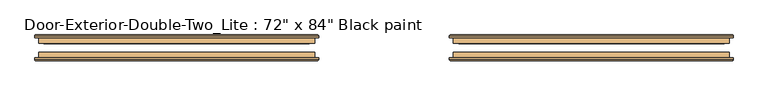
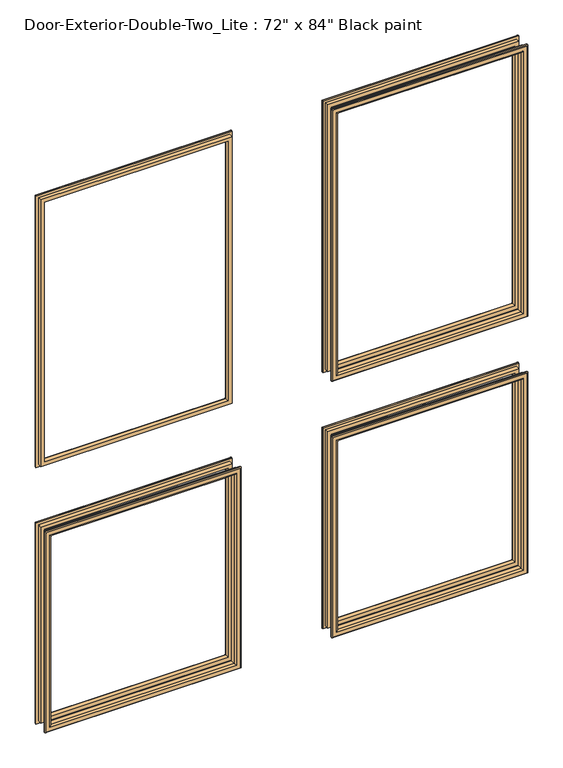
"""IFC4 building model written with IfcOpenShell, lengths in millimetres: door geometry."""

from ifc_helpers import new_model, si_unit, frame, origin, place, context, project, spatial, ellipse_curve, source, transform, mapped, element, save
from ifc_brep_helpers import plane_surface, cylinder_surface, advanced_brep


def door_81d10604(model_context):
    return source(origin(), model_context, "Body", "AdvancedBrep", [
        advanced_brep(
        [(-762.0, 65.0875, 914.4), (-762.0, 77.7875, 914.4), (-762.0, 77.7875, 254.0), (-762.0, 65.0875, 254.0), (-750.0, 78.7875, 902.4), (-750.0, 65.0875, 902.4), (-750.0, 65.0875, 266.0), (-750.0, 78.7875, 266.0), (-755.0, 83.7875, 907.4), (-755.0, 83.7875, 261.0), (-770.0, 81.7875, 922.4), (-768.0, 83.7875, 920.4), (-768.0, 83.7875, 248.0), (-770.0, 81.7875, 246.0), (-770.0, 77.7875, 922.4), (-770.0, 77.7875, 246.0), (-152.4, 77.7875, 254.0), (-152.4, 65.0875, 254.0), (-164.4, 65.0875, 266.0), (-164.4, 78.7875, 266.0), (-159.4, 83.7875, 261.0), (-146.4, 83.7875, 248.0), (-144.4, 81.7875, 246.0), (-144.4, 77.7875, 246.0), (-152.4, 77.7875, 914.4), (-152.4, 65.0875, 914.4), (-164.4, 65.0875, 902.4), (-164.4, 78.7875, 902.4), (-159.4, 83.7875, 907.4), (-146.4, 83.7875, 920.4), (-144.4, 81.7875, 922.4), (-144.4, 77.7875, 922.4)],
        [
            (0, 1),
            (1, 2),
            (2, 3),
            (3, 0),
            (4, 5),
            (5, 6),
            (6, 7),
            (7, 4),
            (8, 4, ellipse_curve(frame((-755.0, 78.7875, 907.4), z_axis=(-0.7071067811865475, 0.0, -0.7071067811865475), x_axis=(-0.7071067811865474, 0.0, 0.7071067811865476)), 7.0710678, 5.0)),
            (7, 9, ellipse_curve(frame((-755.0, 78.7875, 261.0), z_axis=(-0.7071067811865475, 0.0, 0.7071067811865475), x_axis=(0.7071067811865474, 0.0, 0.7071067811865476)), 7.0710678, 5.0)),
            (9, 8),
            (10, 11, ellipse_curve(frame((-768.0, 81.7875, 920.4), z_axis=(-0.7071067811865475, 0.0, -0.7071067811865475), x_axis=(-0.7071067811865474, 0.0, 0.7071067811865476)), 2.8284271, 2.0)),
            (11, 12),
            (12, 13, ellipse_curve(frame((-768.0, 81.7875, 248.0), z_axis=(-0.7071067811865475, 0.0, 0.7071067811865475), x_axis=(0.7071067811865474, 0.0, 0.7071067811865476)), 2.8284271, 2.0)),
            (13, 10),
            (14, 10),
            (13, 15),
            (15, 14),
            (2, 16),
            (16, 17),
            (17, 3),
            (6, 18),
            (18, 19),
            (19, 7),
            (19, 20, ellipse_curve(frame((-159.4, 78.7875, 261.0), z_axis=(-0.7071067811865475, 0.0, -0.7071067811865475), x_axis=(-0.7071067811865476, 0.0, 0.7071067811865474)), 7.0710678, 5.0)),
            (20, 9),
            (12, 21),
            (21, 22, ellipse_curve(frame((-146.4, 81.7875, 248.0), z_axis=(-0.7071067811865475, 0.0, -0.7071067811865475), x_axis=(-0.7071067811865476, 0.0, 0.7071067811865474)), 2.8284271, 2.0)),
            (22, 13),
            (22, 23),
            (23, 15),
            (16, 24),
            (24, 25),
            (25, 17),
            (18, 26),
            (26, 27),
            (27, 19),
            (27, 28, ellipse_curve(frame((-159.4, 78.7875, 907.4), z_axis=(0.7071067811865475, 0.0, -0.7071067811865475), x_axis=(-0.7071067811865474, 0.0, -0.7071067811865476)), 7.0710678, 5.0)),
            (28, 20),
            (21, 29),
            (29, 30, ellipse_curve(frame((-146.4, 81.7875, 920.4), z_axis=(0.7071067811865475, 0.0, -0.7071067811865475), x_axis=(-0.7071067811865474, 0.0, -0.7071067811865476)), 2.8284271, 2.0)),
            (30, 22),
            (30, 31),
            (31, 23),
            (31, 14),
            (1, 24),
            (0, 25),
            (5, 26),
            (4, 27),
            (8, 28),
            (11, 29),
            (10, 30),
        ],
        [
            plane_surface(frame((-762.0, 77.7875, 914.4), z_axis=(-1.0, 0.0, 0.0), x_axis=(0.0, 0.0, -1.0))),
            plane_surface(frame((-750.0, 65.0875, 902.4), z_axis=(1.0, 0.0, 0.0), x_axis=(0.0, 0.0, -1.0))),
            cylinder_surface(frame((-755.0, 78.7875, 914.4), z_axis=(0.0, 0.0, 1.0), x_axis=(-1.0, 0.0, 0.0)), 5.0),
            cylinder_surface(frame((-768.0, 81.7875, 914.4), z_axis=(0.0, 0.0, 1.0), x_axis=(-1.0, 0.0, 0.0)), 2.0),
            plane_surface(frame((-770.0, 81.7875, 922.4), z_axis=(-1.0, 0.0, 0.0), x_axis=(0.0, 0.0, -1.0))),
            plane_surface(frame((-762.0, 77.7875, 254.0), z_axis=(0.0, 0.0, -1.0), x_axis=(1.0, 0.0, 0.0))),
            plane_surface(frame((-750.0, 65.0875, 266.0), z_axis=(0.0, 0.0, 1.0), x_axis=(1.0, 0.0, 0.0))),
            cylinder_surface(frame((-762.0, 78.7875, 261.0), z_axis=(-1.0, 0.0, 0.0), x_axis=(0.0, 0.0, -1.0)), 5.0),
            cylinder_surface(frame((-762.0, 81.7875, 248.0), z_axis=(-1.0, 0.0, 0.0), x_axis=(0.0, 0.0, -1.0)), 2.0),
            plane_surface(frame((-770.0, 81.7875, 246.0), z_axis=(0.0, 0.0, -1.0), x_axis=(1.0, 0.0, 0.0))),
            plane_surface(frame((-152.4, 77.7875, 254.0), z_axis=(1.0, 0.0, 0.0), x_axis=(0.0, 0.0, 1.0))),
            plane_surface(frame((-164.4, 65.0875, 266.0), z_axis=(-1.0, 0.0, 0.0), x_axis=(0.0, 0.0, 1.0))),
            cylinder_surface(frame((-159.4, 78.7875, 254.0), z_axis=(0.0, 0.0, -1.0), x_axis=(1.0, 0.0, 0.0)), 5.0),
            cylinder_surface(frame((-146.4, 81.7875, 254.0), z_axis=(0.0, 0.0, -1.0), x_axis=(1.0, 0.0, 0.0)), 2.0),
            plane_surface(frame((-144.4, 81.7875, 246.0), z_axis=(1.0, 0.0, 0.0), x_axis=(0.0, 0.0, 1.0))),
            plane_surface(frame((-144.4, 77.7875, 922.4), z_axis=(0.0, -1.0, 0.0), x_axis=(-1.0, 0.0, 0.0))),
            plane_surface(frame((-152.4, 77.7875, 914.4), z_axis=(0.0, 0.0, 1.0), x_axis=(-1.0, 0.0, 0.0))),
            plane_surface(frame((-152.4, 65.0875, 914.4), z_axis=(0.0, -1.0, 0.0), x_axis=(-1.0, 0.0, 0.0))),
            plane_surface(frame((-164.4, 65.0875, 902.4), z_axis=(0.0, 0.0, -1.0), x_axis=(-1.0, 0.0, 0.0))),
            cylinder_surface(frame((-152.4, 78.7875, 907.4), z_axis=(1.0, 0.0, 0.0), x_axis=(0.0, 0.0, 1.0)), 5.0),
            plane_surface(frame((-159.4, 83.7875, 907.4), z_axis=(0.0, 1.0, 0.0), x_axis=(-1.0, 0.0, 0.0))),
            cylinder_surface(frame((-152.4, 81.7875, 920.4), z_axis=(1.0, 0.0, 0.0), x_axis=(0.0, 0.0, 1.0)), 2.0),
            plane_surface(frame((-144.4, 81.7875, 922.4), z_axis=(0.0, 0.0, 1.0), x_axis=(-1.0, 0.0, 0.0))),
        ],
        [
            (0, [[1, 2, 3, 4]]),
            (1, [[5, 6, 7, 8]]),
            (2, [[9, -8, 10, 11]]),
            (3, [[12, 13, 14, 15]]),
            (4, [[16, -15, 17, 18]]),
            (5, [[-3, 19, 20, 21]]),
            (6, [[-7, 22, 23, 24]]),
            (7, [[-10, -24, 25, 26]]),
            (8, [[-14, 27, 28, 29]]),
            (9, [[-17, -29, 30, 31]]),
            (10, [[-20, 32, 33, 34]]),
            (11, [[-23, 35, 36, 37]]),
            (12, [[-25, -37, 38, 39]]),
            (13, [[-28, 40, 41, 42]]),
            (14, [[-30, -42, 43, 44]]),
            (15, [[-31, -44, 45, -18], [46, -32, -19, -2]]),
            (16, [[-33, -46, -1, 47]]),
            (17, [[-21, -34, -47, -4], [48, -35, -22, -6]]),
            (18, [[-36, -48, -5, 49]]),
            (19, [[-38, -49, -9, 50]]),
            (20, [[51, -40, -27, -13], [-26, -39, -50, -11]]),
            (21, [[-41, -51, -12, 52]]),
            (22, [[-43, -52, -16, -45]]),
        ],
    ),
        advanced_brep(
        [(152.4, 65.0875, 914.4), (152.4, 77.7875, 914.4), (152.4, 77.7875, 254.0), (152.4, 65.0875, 254.0), (164.4, 78.7875, 902.4), (164.4, 65.0875, 902.4), (164.4, 65.0875, 266.0), (164.4, 78.7875, 266.0), (159.4, 83.7875, 907.4), (159.4, 83.7875, 261.0), (144.4, 81.7875, 922.4), (146.4, 83.7875, 920.4), (146.4, 83.7875, 248.0), (144.4, 81.7875, 246.0), (144.4, 77.7875, 922.4), (144.4, 77.7875, 246.0), (762.0, 77.7875, 254.0), (762.0, 65.0875, 254.0), (750.0, 65.0875, 266.0), (750.0, 78.7875, 266.0), (755.0, 83.7875, 261.0), (768.0, 83.7875, 248.0), (770.0, 81.7875, 246.0), (770.0, 77.7875, 246.0), (762.0, 77.7875, 914.4), (762.0, 65.0875, 914.4), (750.0, 65.0875, 902.4), (750.0, 78.7875, 902.4), (755.0, 83.7875, 907.4), (768.0, 83.7875, 920.4), (770.0, 81.7875, 922.4), (770.0, 77.7875, 922.4)],
        [
            (0, 1),
            (1, 2),
            (2, 3),
            (3, 0),
            (4, 5),
            (5, 6),
            (6, 7),
            (7, 4),
            (8, 4, ellipse_curve(frame((159.4, 78.7875, 907.4), z_axis=(-0.7071067811865475, 0.0, -0.7071067811865475), x_axis=(-0.7071067811865474, 0.0, 0.7071067811865476)), 7.0710678, 5.0)),
            (7, 9, ellipse_curve(frame((159.4, 78.7875, 261.0), z_axis=(-0.7071067811865475, 0.0, 0.7071067811865475), x_axis=(0.7071067811865474, 0.0, 0.7071067811865476)), 7.0710678, 5.0)),
            (9, 8),
            (10, 11, ellipse_curve(frame((146.4, 81.7875, 920.4), z_axis=(-0.7071067811865475, 0.0, -0.7071067811865475), x_axis=(-0.7071067811865474, 0.0, 0.7071067811865476)), 2.8284271, 2.0)),
            (11, 12),
            (12, 13, ellipse_curve(frame((146.4, 81.7875, 248.0), z_axis=(-0.7071067811865475, 0.0, 0.7071067811865475), x_axis=(0.7071067811865474, 0.0, 0.7071067811865476)), 2.8284271, 2.0)),
            (13, 10),
            (14, 10),
            (13, 15),
            (15, 14),
            (2, 16),
            (16, 17),
            (17, 3),
            (6, 18),
            (18, 19),
            (19, 7),
            (19, 20, ellipse_curve(frame((755.0, 78.7875, 261.0), z_axis=(-0.7071067811865475, 0.0, -0.7071067811865475), x_axis=(-0.7071067811865476, 0.0, 0.7071067811865474)), 7.0710678, 5.0)),
            (20, 9),
            (12, 21),
            (21, 22, ellipse_curve(frame((768.0, 81.7875, 248.0), z_axis=(-0.7071067811865475, 0.0, -0.7071067811865475), x_axis=(-0.7071067811865476, 0.0, 0.7071067811865474)), 2.8284271, 2.0)),
            (22, 13),
            (22, 23),
            (23, 15),
            (16, 24),
            (24, 25),
            (25, 17),
            (18, 26),
            (26, 27),
            (27, 19),
            (27, 28, ellipse_curve(frame((755.0, 78.7875, 907.4), z_axis=(0.7071067811865475, 0.0, -0.7071067811865475), x_axis=(-0.7071067811865474, 0.0, -0.7071067811865476)), 7.0710678, 5.0)),
            (28, 20),
            (21, 29),
            (29, 30, ellipse_curve(frame((768.0, 81.7875, 920.4), z_axis=(0.7071067811865475, 0.0, -0.7071067811865475), x_axis=(-0.7071067811865474, 0.0, -0.7071067811865476)), 2.8284271, 2.0)),
            (30, 22),
            (30, 31),
            (31, 23),
            (31, 14),
            (1, 24),
            (0, 25),
            (5, 26),
            (4, 27),
            (8, 28),
            (11, 29),
            (10, 30),
        ],
        [
            plane_surface(frame((152.4, 77.7875, 914.4), z_axis=(-1.0, 0.0, 0.0), x_axis=(0.0, 0.0, -1.0))),
            plane_surface(frame((164.4, 65.0875, 902.4), z_axis=(1.0, 0.0, 0.0), x_axis=(0.0, 0.0, -1.0))),
            cylinder_surface(frame((159.4, 78.7875, 914.4), z_axis=(0.0, 0.0, 1.0), x_axis=(-1.0, 0.0, 0.0)), 5.0),
            cylinder_surface(frame((146.4, 81.7875, 914.4), z_axis=(0.0, 0.0, 1.0), x_axis=(-1.0, 0.0, 0.0)), 2.0),
            plane_surface(frame((144.4, 81.7875, 922.4), z_axis=(-1.0, 0.0, 0.0), x_axis=(0.0, 0.0, -1.0))),
            plane_surface(frame((152.4, 77.7875, 254.0), z_axis=(0.0, 0.0, -1.0), x_axis=(1.0, 0.0, 0.0))),
            plane_surface(frame((164.4, 65.0875, 266.0), z_axis=(0.0, 0.0, 1.0), x_axis=(1.0, 0.0, 0.0))),
            cylinder_surface(frame((152.4, 78.7875, 261.0), z_axis=(-1.0, 0.0, 0.0), x_axis=(0.0, 0.0, -1.0)), 5.0),
            cylinder_surface(frame((152.4, 81.7875, 248.0), z_axis=(-1.0, 0.0, 0.0), x_axis=(0.0, 0.0, -1.0)), 2.0),
            plane_surface(frame((144.4, 81.7875, 246.0), z_axis=(0.0, 0.0, -1.0), x_axis=(1.0, 0.0, 0.0))),
            plane_surface(frame((762.0, 77.7875, 254.0), z_axis=(1.0, 0.0, 0.0), x_axis=(0.0, 0.0, 1.0))),
            plane_surface(frame((750.0, 65.0875, 266.0), z_axis=(-1.0, 0.0, 0.0), x_axis=(0.0, 0.0, 1.0))),
            cylinder_surface(frame((755.0, 78.7875, 254.0), z_axis=(0.0, 0.0, -1.0), x_axis=(1.0, 0.0, 0.0)), 5.0),
            cylinder_surface(frame((768.0, 81.7875, 254.0), z_axis=(0.0, 0.0, -1.0), x_axis=(1.0, 0.0, 0.0)), 2.0),
            plane_surface(frame((770.0, 81.7875, 246.0), z_axis=(1.0, 0.0, 0.0), x_axis=(0.0, 0.0, 1.0))),
            plane_surface(frame((770.0, 77.7875, 922.4), z_axis=(0.0, -1.0, 0.0), x_axis=(-1.0, 0.0, 0.0))),
            plane_surface(frame((762.0, 77.7875, 914.4), z_axis=(0.0, 0.0, 1.0), x_axis=(-1.0, 0.0, 0.0))),
            plane_surface(frame((762.0, 65.0875, 914.4), z_axis=(0.0, -1.0, 0.0), x_axis=(-1.0, 0.0, 0.0))),
            plane_surface(frame((750.0, 65.0875, 902.4), z_axis=(0.0, 0.0, -1.0), x_axis=(-1.0, 0.0, 0.0))),
            cylinder_surface(frame((762.0, 78.7875, 907.4), z_axis=(1.0, 0.0, 0.0), x_axis=(0.0, 0.0, 1.0)), 5.0),
            plane_surface(frame((755.0, 83.7875, 907.4), z_axis=(0.0, 1.0, 0.0), x_axis=(-1.0, 0.0, 0.0))),
            cylinder_surface(frame((762.0, 81.7875, 920.4), z_axis=(1.0, 0.0, 0.0), x_axis=(0.0, 0.0, 1.0)), 2.0),
            plane_surface(frame((770.0, 81.7875, 922.4), z_axis=(0.0, 0.0, 1.0), x_axis=(-1.0, 0.0, 0.0))),
        ],
        [
            (0, [[1, 2, 3, 4]]),
            (1, [[5, 6, 7, 8]]),
            (2, [[9, -8, 10, 11]]),
            (3, [[12, 13, 14, 15]]),
            (4, [[16, -15, 17, 18]]),
            (5, [[-3, 19, 20, 21]]),
            (6, [[-7, 22, 23, 24]]),
            (7, [[-10, -24, 25, 26]]),
            (8, [[-14, 27, 28, 29]]),
            (9, [[-17, -29, 30, 31]]),
            (10, [[-20, 32, 33, 34]]),
            (11, [[-23, 35, 36, 37]]),
            (12, [[-25, -37, 38, 39]]),
            (13, [[-28, 40, 41, 42]]),
            (14, [[-30, -42, 43, 44]]),
            (15, [[-31, -44, 45, -18], [46, -32, -19, -2]]),
            (16, [[-33, -46, -1, 47]]),
            (17, [[-21, -34, -47, -4], [48, -35, -22, -6]]),
            (18, [[-36, -48, -5, 49]]),
            (19, [[-38, -49, -9, 50]]),
            (20, [[51, -40, -27, -13], [-26, -39, -50, -11]]),
            (21, [[-41, -51, -12, 52]]),
            (22, [[-43, -52, -16, -45]]),
        ],
    ),
        advanced_brep(
        [(152.4, 65.0875, 2016.125), (152.4, 77.7875, 2016.125), (152.4, 77.7875, 1117.6), (152.4, 65.0875, 1117.6), (164.4, 78.7875, 2004.125), (164.4, 65.0875, 2004.125), (164.4, 65.0875, 1129.6), (164.4, 78.7875, 1129.6), (159.4, 83.7875, 2009.125), (159.4, 83.7875, 1124.6), (144.4, 81.7875, 2024.125), (146.4, 83.7875, 2022.125), (146.4, 83.7875, 1111.6), (144.4, 81.7875, 1109.6), (144.4, 77.7875, 2024.125), (144.4, 77.7875, 1109.6), (762.0, 77.7875, 1117.6), (762.0, 65.0875, 1117.6), (750.0, 65.0875, 1129.6), (750.0, 78.7875, 1129.6), (755.0, 83.7875, 1124.6), (768.0, 83.7875, 1111.6), (770.0, 81.7875, 1109.6), (770.0, 77.7875, 1109.6), (762.0, 77.7875, 2016.125), (762.0, 65.0875, 2016.125), (750.0, 65.0875, 2004.125), (750.0, 78.7875, 2004.125), (755.0, 83.7875, 2009.125), (768.0, 83.7875, 2022.125), (770.0, 81.7875, 2024.125), (770.0, 77.7875, 2024.125)],
        [
            (0, 1),
            (1, 2),
            (2, 3),
            (3, 0),
            (4, 5),
            (5, 6),
            (6, 7),
            (7, 4),
            (8, 4, ellipse_curve(frame((159.4, 78.7875, 2009.125), z_axis=(-0.7071067811865475, 0.0, -0.7071067811865475), x_axis=(-0.7071067811865474, 0.0, 0.7071067811865476)), 7.0710678, 5.0)),
            (7, 9, ellipse_curve(frame((159.4, 78.7875, 1124.6), z_axis=(-0.7071067811865475, 0.0, 0.7071067811865475), x_axis=(0.7071067811865474, 0.0, 0.7071067811865476)), 7.0710678, 5.0)),
            (9, 8),
            (10, 11, ellipse_curve(frame((146.4, 81.7875, 2022.125), z_axis=(-0.7071067811865475, 0.0, -0.7071067811865475), x_axis=(-0.7071067811865474, 0.0, 0.7071067811865476)), 2.8284271, 2.0)),
            (11, 12),
            (12, 13, ellipse_curve(frame((146.4, 81.7875, 1111.6), z_axis=(-0.7071067811865475, 0.0, 0.7071067811865475), x_axis=(0.7071067811865474, 0.0, 0.7071067811865476)), 2.8284271, 2.0)),
            (13, 10),
            (14, 10),
            (13, 15),
            (15, 14),
            (2, 16),
            (16, 17),
            (17, 3),
            (6, 18),
            (18, 19),
            (19, 7),
            (19, 20, ellipse_curve(frame((755.0, 78.7875, 1124.6), z_axis=(-0.7071067811865475, 0.0, -0.7071067811865475), x_axis=(-0.7071067811865476, 0.0, 0.7071067811865474)), 7.0710678, 5.0)),
            (20, 9),
            (12, 21),
            (21, 22, ellipse_curve(frame((768.0, 81.7875, 1111.6), z_axis=(-0.7071067811865475, 0.0, -0.7071067811865475), x_axis=(-0.7071067811865476, 0.0, 0.7071067811865474)), 2.8284271, 2.0)),
            (22, 13),
            (22, 23),
            (23, 15),
            (16, 24),
            (24, 25),
            (25, 17),
            (18, 26),
            (26, 27),
            (27, 19),
            (27, 28, ellipse_curve(frame((755.0, 78.7875, 2009.125), z_axis=(0.7071067811865475, 0.0, -0.7071067811865475), x_axis=(-0.7071067811865474, 0.0, -0.7071067811865476)), 7.0710678, 5.0)),
            (28, 20),
            (21, 29),
            (29, 30, ellipse_curve(frame((768.0, 81.7875, 2022.125), z_axis=(0.7071067811865475, 0.0, -0.7071067811865475), x_axis=(-0.7071067811865474, 0.0, -0.7071067811865476)), 2.8284271, 2.0)),
            (30, 22),
            (30, 31),
            (31, 23),
            (31, 14),
            (1, 24),
            (0, 25),
            (5, 26),
            (4, 27),
            (8, 28),
            (11, 29),
            (10, 30),
        ],
        [
            plane_surface(frame((152.4, 77.7875, 2016.125), z_axis=(-1.0, 0.0, 0.0), x_axis=(0.0, 0.0, -1.0))),
            plane_surface(frame((164.4, 65.0875, 2004.125), z_axis=(1.0, 0.0, 0.0), x_axis=(0.0, 0.0, -1.0))),
            cylinder_surface(frame((159.4, 78.7875, 2016.125), z_axis=(0.0, 0.0, 1.0), x_axis=(-1.0, 0.0, 0.0)), 5.0),
            cylinder_surface(frame((146.4, 81.7875, 2016.125), z_axis=(0.0, 0.0, 1.0), x_axis=(-1.0, 0.0, 0.0)), 2.0),
            plane_surface(frame((144.4, 81.7875, 2024.125), z_axis=(-1.0, 0.0, 0.0), x_axis=(0.0, 0.0, -1.0))),
            plane_surface(frame((152.4, 77.7875, 1117.6), z_axis=(0.0, 0.0, -1.0), x_axis=(1.0, 0.0, 0.0))),
            plane_surface(frame((164.4, 65.0875, 1129.6), z_axis=(0.0, 0.0, 1.0), x_axis=(1.0, 0.0, 0.0))),
            cylinder_surface(frame((152.4, 78.7875, 1124.6), z_axis=(-1.0, 0.0, 0.0), x_axis=(0.0, 0.0, -1.0)), 5.0),
            cylinder_surface(frame((152.4, 81.7875, 1111.6), z_axis=(-1.0, 0.0, 0.0), x_axis=(0.0, 0.0, -1.0)), 2.0),
            plane_surface(frame((144.4, 81.7875, 1109.6), z_axis=(0.0, 0.0, -1.0), x_axis=(1.0, 0.0, 0.0))),
            plane_surface(frame((762.0, 77.7875, 1117.6), z_axis=(1.0, 0.0, 0.0), x_axis=(0.0, 0.0, 1.0))),
            plane_surface(frame((750.0, 65.0875, 1129.6), z_axis=(-1.0, 0.0, 0.0), x_axis=(0.0, 0.0, 1.0))),
            cylinder_surface(frame((755.0, 78.7875, 1117.6), z_axis=(0.0, 0.0, -1.0), x_axis=(1.0, 0.0, 0.0)), 5.0),
            cylinder_surface(frame((768.0, 81.7875, 1117.6), z_axis=(0.0, 0.0, -1.0), x_axis=(1.0, 0.0, 0.0)), 2.0),
            plane_surface(frame((770.0, 81.7875, 1109.6), z_axis=(1.0, 0.0, 0.0), x_axis=(0.0, 0.0, 1.0))),
            plane_surface(frame((770.0, 77.7875, 2024.125), z_axis=(0.0, -1.0, 0.0), x_axis=(-1.0, 0.0, 0.0))),
            plane_surface(frame((762.0, 77.7875, 2016.125), z_axis=(0.0, 0.0, 1.0), x_axis=(-1.0, 0.0, 0.0))),
            plane_surface(frame((762.0, 65.0875, 2016.125), z_axis=(0.0, -1.0, 0.0), x_axis=(-1.0, 0.0, 0.0))),
            plane_surface(frame((750.0, 65.0875, 2004.125), z_axis=(0.0, 0.0, -1.0), x_axis=(-1.0, 0.0, 0.0))),
            cylinder_surface(frame((762.0, 78.7875, 2009.125), z_axis=(1.0, 0.0, 0.0), x_axis=(0.0, 0.0, 1.0)), 5.0),
            plane_surface(frame((755.0, 83.7875, 2009.125), z_axis=(0.0, 1.0, 0.0), x_axis=(-1.0, 0.0, 0.0))),
            cylinder_surface(frame((762.0, 81.7875, 2022.125), z_axis=(1.0, 0.0, 0.0), x_axis=(0.0, 0.0, 1.0)), 2.0),
            plane_surface(frame((770.0, 81.7875, 2024.125), z_axis=(0.0, 0.0, 1.0), x_axis=(-1.0, 0.0, 0.0))),
        ],
        [
            (0, [[1, 2, 3, 4]]),
            (1, [[5, 6, 7, 8]]),
            (2, [[9, -8, 10, 11]]),
            (3, [[12, 13, 14, 15]]),
            (4, [[16, -15, 17, 18]]),
            (5, [[-3, 19, 20, 21]]),
            (6, [[-7, 22, 23, 24]]),
            (7, [[-10, -24, 25, 26]]),
            (8, [[-14, 27, 28, 29]]),
            (9, [[-17, -29, 30, 31]]),
            (10, [[-20, 32, 33, 34]]),
            (11, [[-23, 35, 36, 37]]),
            (12, [[-25, -37, 38, 39]]),
            (13, [[-28, 40, 41, 42]]),
            (14, [[-30, -42, 43, 44]]),
            (15, [[-31, -44, 45, -18], [46, -32, -19, -2]]),
            (16, [[-33, -46, -1, 47]]),
            (17, [[-21, -34, -47, -4], [48, -35, -22, -6]]),
            (18, [[-36, -48, -5, 49]]),
            (19, [[-38, -49, -9, 50]]),
            (20, [[51, -40, -27, -13], [-26, -39, -50, -11]]),
            (21, [[-41, -51, -12, 52]]),
            (22, [[-43, -52, -16, -45]]),
        ],
    ),
        advanced_brep(
        [(-762.0, 65.0875, 2016.125), (-762.0, 77.7875, 2016.125), (-762.0, 77.7875, 1117.6), (-762.0, 65.0875, 1117.6), (-750.0, 78.7875, 2004.125), (-750.0, 65.0875, 2004.125), (-750.0, 65.0875, 1129.6), (-750.0, 78.7875, 1129.6), (-755.0, 83.7875, 2009.125), (-755.0, 83.7875, 1124.6), (-770.0, 81.7875, 2024.125), (-768.0, 83.7875, 2022.125), (-768.0, 83.7875, 1111.6), (-770.0, 81.7875, 1109.6), (-770.0, 77.7875, 2024.125), (-770.0, 77.7875, 1109.6), (-152.4, 77.7875, 1117.6), (-152.4, 65.0875, 1117.6), (-164.4, 65.0875, 1129.6), (-164.4, 78.7875, 1129.6), (-159.4, 83.7875, 1124.6), (-146.4, 83.7875, 1111.6), (-144.4, 81.7875, 1109.6), (-144.4, 77.7875, 1109.6), (-152.4, 77.7875, 2016.125), (-152.4, 65.0875, 2016.125), (-164.4, 65.0875, 2004.125), (-164.4, 78.7875, 2004.125), (-159.4, 83.7875, 2009.125), (-146.4, 83.7875, 2022.125), (-144.4, 81.7875, 2024.125), (-144.4, 77.7875, 2024.125)],
        [
            (0, 1),
            (1, 2),
            (2, 3),
            (3, 0),
            (4, 5),
            (5, 6),
            (6, 7),
            (7, 4),
            (8, 4, ellipse_curve(frame((-755.0, 78.7875, 2009.125), z_axis=(-0.7071067811865475, 0.0, -0.7071067811865475), x_axis=(-0.7071067811865474, 0.0, 0.7071067811865476)), 7.0710678, 5.0)),
            (7, 9, ellipse_curve(frame((-755.0, 78.7875, 1124.6), z_axis=(-0.7071067811865475, 0.0, 0.7071067811865475), x_axis=(0.7071067811865474, 0.0, 0.7071067811865476)), 7.0710678, 5.0)),
            (9, 8),
            (10, 11, ellipse_curve(frame((-768.0, 81.7875, 2022.125), z_axis=(-0.7071067811865475, 0.0, -0.7071067811865475), x_axis=(-0.7071067811865474, 0.0, 0.7071067811865476)), 2.8284271, 2.0)),
            (11, 12),
            (12, 13, ellipse_curve(frame((-768.0, 81.7875, 1111.6), z_axis=(-0.7071067811865475, 0.0, 0.7071067811865475), x_axis=(0.7071067811865474, 0.0, 0.7071067811865476)), 2.8284271, 2.0)),
            (13, 10),
            (14, 10),
            (13, 15),
            (15, 14),
            (2, 16),
            (16, 17),
            (17, 3),
            (6, 18),
            (18, 19),
            (19, 7),
            (19, 20, ellipse_curve(frame((-159.4, 78.7875, 1124.6), z_axis=(-0.7071067811865475, 0.0, -0.7071067811865475), x_axis=(-0.7071067811865476, 0.0, 0.7071067811865474)), 7.0710678, 5.0)),
            (20, 9),
            (12, 21),
            (21, 22, ellipse_curve(frame((-146.4, 81.7875, 1111.6), z_axis=(-0.7071067811865475, 0.0, -0.7071067811865475), x_axis=(-0.7071067811865476, 0.0, 0.7071067811865474)), 2.8284271, 2.0)),
            (22, 13),
            (22, 23),
            (23, 15),
            (16, 24),
            (24, 25),
            (25, 17),
            (18, 26),
            (26, 27),
            (27, 19),
            (27, 28, ellipse_curve(frame((-159.4, 78.7875, 2009.125), z_axis=(0.7071067811865475, 0.0, -0.7071067811865475), x_axis=(-0.7071067811865474, 0.0, -0.7071067811865476)), 7.0710678, 5.0)),
            (28, 20),
            (21, 29),
            (29, 30, ellipse_curve(frame((-146.4, 81.7875, 2022.125), z_axis=(0.7071067811865475, 0.0, -0.7071067811865475), x_axis=(-0.7071067811865474, 0.0, -0.7071067811865476)), 2.8284271, 2.0)),
            (30, 22),
            (30, 31),
            (31, 23),
            (31, 14),
            (1, 24),
            (0, 25),
            (5, 26),
            (4, 27),
            (8, 28),
            (11, 29),
            (10, 30),
        ],
        [
            plane_surface(frame((-762.0, 77.7875, 2016.125), z_axis=(-1.0, 0.0, 0.0), x_axis=(0.0, 0.0, -1.0))),
            plane_surface(frame((-750.0, 65.0875, 2004.125), z_axis=(1.0, 0.0, 0.0), x_axis=(0.0, 0.0, -1.0))),
            cylinder_surface(frame((-755.0, 78.7875, 2016.125), z_axis=(0.0, 0.0, 1.0), x_axis=(-1.0, 0.0, 0.0)), 5.0),
            cylinder_surface(frame((-768.0, 81.7875, 2016.125), z_axis=(0.0, 0.0, 1.0), x_axis=(-1.0, 0.0, 0.0)), 2.0),
            plane_surface(frame((-770.0, 81.7875, 2024.125), z_axis=(-1.0, 0.0, 0.0), x_axis=(0.0, 0.0, -1.0))),
            plane_surface(frame((-762.0, 77.7875, 1117.6), z_axis=(0.0, 0.0, -1.0), x_axis=(1.0, 0.0, 0.0))),
            plane_surface(frame((-750.0, 65.0875, 1129.6), z_axis=(0.0, 0.0, 1.0), x_axis=(1.0, 0.0, 0.0))),
            cylinder_surface(frame((-762.0, 78.7875, 1124.6), z_axis=(-1.0, 0.0, 0.0), x_axis=(0.0, 0.0, -1.0)), 5.0),
            cylinder_surface(frame((-762.0, 81.7875, 1111.6), z_axis=(-1.0, 0.0, 0.0), x_axis=(0.0, 0.0, -1.0)), 2.0),
            plane_surface(frame((-770.0, 81.7875, 1109.6), z_axis=(0.0, 0.0, -1.0), x_axis=(1.0, 0.0, 0.0))),
            plane_surface(frame((-152.4, 77.7875, 1117.6), z_axis=(1.0, 0.0, 0.0), x_axis=(0.0, 0.0, 1.0))),
            plane_surface(frame((-164.4, 65.0875, 1129.6), z_axis=(-1.0, 0.0, 0.0), x_axis=(0.0, 0.0, 1.0))),
            cylinder_surface(frame((-159.4, 78.7875, 1117.6), z_axis=(0.0, 0.0, -1.0), x_axis=(1.0, 0.0, 0.0)), 5.0),
            cylinder_surface(frame((-146.4, 81.7875, 1117.6), z_axis=(0.0, 0.0, -1.0), x_axis=(1.0, 0.0, 0.0)), 2.0),
            plane_surface(frame((-144.4, 81.7875, 1109.6), z_axis=(1.0, 0.0, 0.0), x_axis=(0.0, 0.0, 1.0))),
            plane_surface(frame((-144.4, 77.7875, 2024.125), z_axis=(0.0, -1.0, 0.0), x_axis=(-1.0, 0.0, 0.0))),
            plane_surface(frame((-152.4, 77.7875, 2016.125), z_axis=(0.0, 0.0, 1.0), x_axis=(-1.0, 0.0, 0.0))),
            plane_surface(frame((-152.4, 65.0875, 2016.125), z_axis=(0.0, -1.0, 0.0), x_axis=(-1.0, 0.0, 0.0))),
            plane_surface(frame((-164.4, 65.0875, 2004.125), z_axis=(0.0, 0.0, -1.0), x_axis=(-1.0, 0.0, 0.0))),
            cylinder_surface(frame((-152.4, 78.7875, 2009.125), z_axis=(1.0, 0.0, 0.0), x_axis=(0.0, 0.0, 1.0)), 5.0),
            plane_surface(frame((-159.4, 83.7875, 2009.125), z_axis=(0.0, 1.0, 0.0), x_axis=(-1.0, 0.0, 0.0))),
            cylinder_surface(frame((-152.4, 81.7875, 2022.125), z_axis=(1.0, 0.0, 0.0), x_axis=(0.0, 0.0, 1.0)), 2.0),
            plane_surface(frame((-144.4, 81.7875, 2024.125), z_axis=(0.0, 0.0, 1.0), x_axis=(-1.0, 0.0, 0.0))),
        ],
        [
            (0, [[1, 2, 3, 4]]),
            (1, [[5, 6, 7, 8]]),
            (2, [[9, -8, 10, 11]]),
            (3, [[12, 13, 14, 15]]),
            (4, [[16, -15, 17, 18]]),
            (5, [[-3, 19, 20, 21]]),
            (6, [[-7, 22, 23, 24]]),
            (7, [[-10, -24, 25, 26]]),
            (8, [[-14, 27, 28, 29]]),
            (9, [[-17, -29, 30, 31]]),
            (10, [[-20, 32, 33, 34]]),
            (11, [[-23, 35, 36, 37]]),
            (12, [[-25, -37, 38, 39]]),
            (13, [[-28, 40, 41, 42]]),
            (14, [[-30, -42, 43, 44]]),
            (15, [[-31, -44, 45, -18], [46, -32, -19, -2]]),
            (16, [[-33, -46, -1, 47]]),
            (17, [[-21, -34, -47, -4], [48, -35, -22, -6]]),
            (18, [[-36, -48, -5, 49]]),
            (19, [[-38, -49, -9, 50]]),
            (20, [[51, -40, -27, -13], [-26, -39, -50, -11]]),
            (21, [[-41, -51, -12, 52]]),
            (22, [[-43, -52, -16, -45]]),
        ],
    ),
        advanced_brep(
        [(-762.0, 46.0375, 254.0), (-762.0, 33.3375, 254.0), (-762.0, 33.3375, 914.4), (-762.0, 46.0375, 914.4), (-750.0, 32.3375, 266.0), (-750.0, 46.0375, 266.0), (-750.0, 46.0375, 902.4), (-750.0, 32.3375, 902.4), (-755.0, 27.3375, 261.0), (-755.0, 27.3375, 907.4), (-770.0, 29.3375, 246.0), (-768.0, 27.3375, 248.0), (-768.0, 27.3375, 920.4), (-770.0, 29.3375, 922.4), (-770.0, 33.3375, 246.0), (-770.0, 33.3375, 922.4), (-152.4, 33.3375, 914.4), (-152.4, 46.0375, 914.4), (-164.4, 46.0375, 902.4), (-164.4, 32.3375, 902.4), (-159.4, 27.3375, 907.4), (-146.4, 27.3375, 920.4), (-144.4, 29.3375, 922.4), (-144.4, 33.3375, 922.4), (-152.4, 33.3375, 254.0), (-152.4, 46.0375, 254.0), (-164.4, 46.0375, 266.0), (-164.4, 32.3375, 266.0), (-159.4, 27.3375, 261.0), (-146.4, 27.3375, 248.0), (-144.4, 29.3375, 246.0), (-144.4, 33.3375, 246.0)],
        [
            (0, 1),
            (1, 2),
            (2, 3),
            (3, 0),
            (4, 5),
            (5, 6),
            (6, 7),
            (7, 4),
            (8, 4, ellipse_curve(frame((-755.0, 32.3375, 261.0), z_axis=(-0.7071067811865475, 0.0, 0.7071067811865475), x_axis=(-0.7071067811865474, 0.0, -0.7071067811865476)), 7.0710678, 5.0)),
            (7, 9, ellipse_curve(frame((-755.0, 32.3375, 907.4), z_axis=(-0.7071067811865475, 0.0, -0.7071067811865475), x_axis=(0.7071067811865474, 0.0, -0.7071067811865476)), 7.0710678, 5.0)),
            (9, 8),
            (10, 11, ellipse_curve(frame((-768.0, 29.3375, 248.0), z_axis=(-0.7071067811865475, 0.0, 0.7071067811865475), x_axis=(-0.7071067811865474, 0.0, -0.7071067811865476)), 2.8284271, 2.0)),
            (11, 12),
            (12, 13, ellipse_curve(frame((-768.0, 29.3375, 920.4), z_axis=(-0.7071067811865475, 0.0, -0.7071067811865475), x_axis=(0.7071067811865474, 0.0, -0.7071067811865476)), 2.8284271, 2.0)),
            (13, 10),
            (14, 10),
            (13, 15),
            (15, 14),
            (2, 16),
            (16, 17),
            (17, 3),
            (6, 18),
            (18, 19),
            (19, 7),
            (19, 20, ellipse_curve(frame((-159.4, 32.3375, 907.4), z_axis=(-0.7071067811865475, 0.0, 0.7071067811865475), x_axis=(-0.7071067811865476, 0.0, -0.7071067811865474)), 7.0710678, 5.0)),
            (20, 9),
            (12, 21),
            (21, 22, ellipse_curve(frame((-146.4, 29.3375, 920.4), z_axis=(-0.7071067811865475, 0.0, 0.7071067811865475), x_axis=(-0.7071067811865476, 0.0, -0.7071067811865474)), 2.8284271, 2.0)),
            (22, 13),
            (22, 23),
            (23, 15),
            (16, 24),
            (24, 25),
            (25, 17),
            (18, 26),
            (26, 27),
            (27, 19),
            (27, 28, ellipse_curve(frame((-159.4, 32.3375, 261.0), z_axis=(0.7071067811865475, 0.0, 0.7071067811865475), x_axis=(-0.7071067811865474, 0.0, 0.7071067811865476)), 7.0710678, 5.0)),
            (28, 20),
            (21, 29),
            (29, 30, ellipse_curve(frame((-146.4, 29.3375, 248.0), z_axis=(0.7071067811865475, 0.0, 0.7071067811865475), x_axis=(-0.7071067811865474, 0.0, 0.7071067811865476)), 2.8284271, 2.0)),
            (30, 22),
            (30, 31),
            (31, 23),
            (31, 14),
            (1, 24),
            (0, 25),
            (5, 26),
            (4, 27),
            (8, 28),
            (11, 29),
            (10, 30),
        ],
        [
            plane_surface(frame((-762.0, 33.3375, 254.0), z_axis=(-1.0, 0.0, 0.0), x_axis=(0.0, 0.0, 1.0))),
            plane_surface(frame((-750.0, 46.0375, 266.0), z_axis=(1.0, 0.0, 0.0), x_axis=(0.0, 0.0, 1.0))),
            cylinder_surface(frame((-755.0, 32.3375, 254.0), z_axis=(0.0, 0.0, -1.0), x_axis=(-1.0, 0.0, 0.0)), 5.0),
            cylinder_surface(frame((-768.0, 29.3375, 254.0), z_axis=(0.0, 0.0, -1.0), x_axis=(-1.0, 0.0, 0.0)), 2.0),
            plane_surface(frame((-770.0, 29.3375, 246.0), z_axis=(-1.0, 0.0, 0.0), x_axis=(0.0, 0.0, 1.0))),
            plane_surface(frame((-762.0, 33.3375, 914.4), z_axis=(0.0, 0.0, 1.0), x_axis=(1.0, 0.0, 0.0))),
            plane_surface(frame((-750.0, 46.0375, 902.4), z_axis=(0.0, 0.0, -1.0), x_axis=(1.0, 0.0, 0.0))),
            cylinder_surface(frame((-762.0, 32.3375, 907.4), z_axis=(-1.0, 0.0, 0.0), x_axis=(0.0, 0.0, 1.0)), 5.0),
            cylinder_surface(frame((-762.0, 29.3375, 920.4), z_axis=(-1.0, 0.0, 0.0), x_axis=(0.0, 0.0, 1.0)), 2.0),
            plane_surface(frame((-770.0, 29.3375, 922.4), z_axis=(0.0, 0.0, 1.0), x_axis=(1.0, 0.0, 0.0))),
            plane_surface(frame((-152.4, 33.3375, 914.4), z_axis=(1.0, 0.0, 0.0), x_axis=(0.0, 0.0, -1.0))),
            plane_surface(frame((-164.4, 46.0375, 902.4), z_axis=(-1.0, 0.0, 0.0), x_axis=(0.0, 0.0, -1.0))),
            cylinder_surface(frame((-159.4, 32.3375, 914.4), z_axis=(0.0, 0.0, 1.0), x_axis=(1.0, 0.0, 0.0)), 5.0),
            cylinder_surface(frame((-146.4, 29.3375, 914.4), z_axis=(0.0, 0.0, 1.0), x_axis=(1.0, 0.0, 0.0)), 2.0),
            plane_surface(frame((-144.4, 29.3375, 922.4), z_axis=(1.0, 0.0, 0.0), x_axis=(0.0, 0.0, -1.0))),
            plane_surface(frame((-144.4, 33.3375, 246.0), z_axis=(0.0, 1.0, 0.0), x_axis=(-1.0, 0.0, 0.0))),
            plane_surface(frame((-152.4, 33.3375, 254.0), z_axis=(0.0, 0.0, -1.0), x_axis=(-1.0, 0.0, 0.0))),
            plane_surface(frame((-152.4, 46.0375, 254.0), z_axis=(0.0, 1.0, 0.0), x_axis=(-1.0, 0.0, 0.0))),
            plane_surface(frame((-164.4, 46.0375, 266.0), z_axis=(0.0, 0.0, 1.0), x_axis=(-1.0, 0.0, 0.0))),
            cylinder_surface(frame((-152.4, 32.3375, 261.0), z_axis=(1.0, 0.0, 0.0), x_axis=(0.0, 0.0, -1.0)), 5.0),
            plane_surface(frame((-159.4, 27.3375, 261.0), z_axis=(0.0, -1.0, 0.0), x_axis=(-1.0, 0.0, 0.0))),
            cylinder_surface(frame((-152.4, 29.3375, 248.0), z_axis=(1.0, 0.0, 0.0), x_axis=(0.0, 0.0, -1.0)), 2.0),
            plane_surface(frame((-144.4, 29.3375, 246.0), z_axis=(0.0, 0.0, -1.0), x_axis=(-1.0, 0.0, 0.0))),
        ],
        [
            (0, [[1, 2, 3, 4]]),
            (1, [[5, 6, 7, 8]]),
            (2, [[9, -8, 10, 11]]),
            (3, [[12, 13, 14, 15]]),
            (4, [[16, -15, 17, 18]]),
            (5, [[-3, 19, 20, 21]]),
            (6, [[-7, 22, 23, 24]]),
            (7, [[-10, -24, 25, 26]]),
            (8, [[-14, 27, 28, 29]]),
            (9, [[-17, -29, 30, 31]]),
            (10, [[-20, 32, 33, 34]]),
            (11, [[-23, 35, 36, 37]]),
            (12, [[-25, -37, 38, 39]]),
            (13, [[-28, 40, 41, 42]]),
            (14, [[-30, -42, 43, 44]]),
            (15, [[-31, -44, 45, -18], [46, -32, -19, -2]]),
            (16, [[-33, -46, -1, 47]]),
            (17, [[-21, -34, -47, -4], [48, -35, -22, -6]]),
            (18, [[-36, -48, -5, 49]]),
            (19, [[-38, -49, -9, 50]]),
            (20, [[51, -40, -27, -13], [-26, -39, -50, -11]]),
            (21, [[-41, -51, -12, 52]]),
            (22, [[-43, -52, -16, -45]]),
        ],
    ),
        advanced_brep(
        [(152.4, 46.0375, 254.0), (152.4, 33.3375, 254.0), (152.4, 33.3375, 914.4), (152.4, 46.0375, 914.4), (164.4, 32.3375, 266.0), (164.4, 46.0375, 266.0), (164.4, 46.0375, 902.4), (164.4, 32.3375, 902.4), (159.4, 27.3375, 261.0), (159.4, 27.3375, 907.4), (144.4, 29.3375, 246.0), (146.4, 27.3375, 248.0), (146.4, 27.3375, 920.4), (144.4, 29.3375, 922.4), (144.4, 33.3375, 246.0), (144.4, 33.3375, 922.4), (762.0, 33.3375, 914.4), (762.0, 46.0375, 914.4), (750.0, 46.0375, 902.4), (750.0, 32.3375, 902.4), (755.0, 27.3375, 907.4), (768.0, 27.3375, 920.4), (770.0, 29.3375, 922.4), (770.0, 33.3375, 922.4), (762.0, 33.3375, 254.0), (762.0, 46.0375, 254.0), (750.0, 46.0375, 266.0), (750.0, 32.3375, 266.0), (755.0, 27.3375, 261.0), (768.0, 27.3375, 248.0), (770.0, 29.3375, 246.0), (770.0, 33.3375, 246.0)],
        [
            (0, 1),
            (1, 2),
            (2, 3),
            (3, 0),
            (4, 5),
            (5, 6),
            (6, 7),
            (7, 4),
            (8, 4, ellipse_curve(frame((159.4, 32.3375, 261.0), z_axis=(-0.7071067811865475, 0.0, 0.7071067811865475), x_axis=(-0.7071067811865474, 0.0, -0.7071067811865476)), 7.0710678, 5.0)),
            (7, 9, ellipse_curve(frame((159.4, 32.3375, 907.4), z_axis=(-0.7071067811865475, 0.0, -0.7071067811865475), x_axis=(0.7071067811865474, 0.0, -0.7071067811865476)), 7.0710678, 5.0)),
            (9, 8),
            (10, 11, ellipse_curve(frame((146.4, 29.3375, 248.0), z_axis=(-0.7071067811865475, 0.0, 0.7071067811865475), x_axis=(-0.7071067811865474, 0.0, -0.7071067811865476)), 2.8284271, 2.0)),
            (11, 12),
            (12, 13, ellipse_curve(frame((146.4, 29.3375, 920.4), z_axis=(-0.7071067811865475, 0.0, -0.7071067811865475), x_axis=(0.7071067811865474, 0.0, -0.7071067811865476)), 2.8284271, 2.0)),
            (13, 10),
            (14, 10),
            (13, 15),
            (15, 14),
            (2, 16),
            (16, 17),
            (17, 3),
            (6, 18),
            (18, 19),
            (19, 7),
            (19, 20, ellipse_curve(frame((755.0, 32.3375, 907.4), z_axis=(-0.7071067811865475, 0.0, 0.7071067811865475), x_axis=(-0.7071067811865476, 0.0, -0.7071067811865474)), 7.0710678, 5.0)),
            (20, 9),
            (12, 21),
            (21, 22, ellipse_curve(frame((768.0, 29.3375, 920.4), z_axis=(-0.7071067811865475, 0.0, 0.7071067811865475), x_axis=(-0.7071067811865476, 0.0, -0.7071067811865474)), 2.8284271, 2.0)),
            (22, 13),
            (22, 23),
            (23, 15),
            (16, 24),
            (24, 25),
            (25, 17),
            (18, 26),
            (26, 27),
            (27, 19),
            (27, 28, ellipse_curve(frame((755.0, 32.3375, 261.0), z_axis=(0.7071067811865475, 0.0, 0.7071067811865475), x_axis=(-0.7071067811865474, 0.0, 0.7071067811865476)), 7.0710678, 5.0)),
            (28, 20),
            (21, 29),
            (29, 30, ellipse_curve(frame((768.0, 29.3375, 248.0), z_axis=(0.7071067811865475, 0.0, 0.7071067811865475), x_axis=(-0.7071067811865474, 0.0, 0.7071067811865476)), 2.8284271, 2.0)),
            (30, 22),
            (30, 31),
            (31, 23),
            (31, 14),
            (1, 24),
            (0, 25),
            (5, 26),
            (4, 27),
            (8, 28),
            (11, 29),
            (10, 30),
        ],
        [
            plane_surface(frame((152.4, 33.3375, 254.0), z_axis=(-1.0, 0.0, 0.0), x_axis=(0.0, 0.0, 1.0))),
            plane_surface(frame((164.4, 46.0375, 266.0), z_axis=(1.0, 0.0, 0.0), x_axis=(0.0, 0.0, 1.0))),
            cylinder_surface(frame((159.4, 32.3375, 254.0), z_axis=(0.0, 0.0, -1.0), x_axis=(-1.0, 0.0, 0.0)), 5.0),
            cylinder_surface(frame((146.4, 29.3375, 254.0), z_axis=(0.0, 0.0, -1.0), x_axis=(-1.0, 0.0, 0.0)), 2.0),
            plane_surface(frame((144.4, 29.3375, 246.0), z_axis=(-1.0, 0.0, 0.0), x_axis=(0.0, 0.0, 1.0))),
            plane_surface(frame((152.4, 33.3375, 914.4), z_axis=(0.0, 0.0, 1.0), x_axis=(1.0, 0.0, 0.0))),
            plane_surface(frame((164.4, 46.0375, 902.4), z_axis=(0.0, 0.0, -1.0), x_axis=(1.0, 0.0, 0.0))),
            cylinder_surface(frame((152.4, 32.3375, 907.4), z_axis=(-1.0, 0.0, 0.0), x_axis=(0.0, 0.0, 1.0)), 5.0),
            cylinder_surface(frame((152.4, 29.3375, 920.4), z_axis=(-1.0, 0.0, 0.0), x_axis=(0.0, 0.0, 1.0)), 2.0),
            plane_surface(frame((144.4, 29.3375, 922.4), z_axis=(0.0, 0.0, 1.0), x_axis=(1.0, 0.0, 0.0))),
            plane_surface(frame((762.0, 33.3375, 914.4), z_axis=(1.0, 0.0, 0.0), x_axis=(0.0, 0.0, -1.0))),
            plane_surface(frame((750.0, 46.0375, 902.4), z_axis=(-1.0, 0.0, 0.0), x_axis=(0.0, 0.0, -1.0))),
            cylinder_surface(frame((755.0, 32.3375, 914.4), z_axis=(0.0, 0.0, 1.0), x_axis=(1.0, 0.0, 0.0)), 5.0),
            cylinder_surface(frame((768.0, 29.3375, 914.4), z_axis=(0.0, 0.0, 1.0), x_axis=(1.0, 0.0, 0.0)), 2.0),
            plane_surface(frame((770.0, 29.3375, 922.4), z_axis=(1.0, 0.0, 0.0), x_axis=(0.0, 0.0, -1.0))),
            plane_surface(frame((770.0, 33.3375, 246.0), z_axis=(0.0, 1.0, 0.0), x_axis=(-1.0, 0.0, 0.0))),
            plane_surface(frame((762.0, 33.3375, 254.0), z_axis=(0.0, 0.0, -1.0), x_axis=(-1.0, 0.0, 0.0))),
            plane_surface(frame((762.0, 46.0375, 254.0), z_axis=(0.0, 1.0, 0.0), x_axis=(-1.0, 0.0, 0.0))),
            plane_surface(frame((750.0, 46.0375, 266.0), z_axis=(0.0, 0.0, 1.0), x_axis=(-1.0, 0.0, 0.0))),
            cylinder_surface(frame((762.0, 32.3375, 261.0), z_axis=(1.0, 0.0, 0.0), x_axis=(0.0, 0.0, -1.0)), 5.0),
            plane_surface(frame((755.0, 27.3375, 261.0), z_axis=(0.0, -1.0, 0.0), x_axis=(-1.0, 0.0, 0.0))),
            cylinder_surface(frame((762.0, 29.3375, 248.0), z_axis=(1.0, 0.0, 0.0), x_axis=(0.0, 0.0, -1.0)), 2.0),
            plane_surface(frame((770.0, 29.3375, 246.0), z_axis=(0.0, 0.0, -1.0), x_axis=(-1.0, 0.0, 0.0))),
        ],
        [
            (0, [[1, 2, 3, 4]]),
            (1, [[5, 6, 7, 8]]),
            (2, [[9, -8, 10, 11]]),
            (3, [[12, 13, 14, 15]]),
            (4, [[16, -15, 17, 18]]),
            (5, [[-3, 19, 20, 21]]),
            (6, [[-7, 22, 23, 24]]),
            (7, [[-10, -24, 25, 26]]),
            (8, [[-14, 27, 28, 29]]),
            (9, [[-17, -29, 30, 31]]),
            (10, [[-20, 32, 33, 34]]),
            (11, [[-23, 35, 36, 37]]),
            (12, [[-25, -37, 38, 39]]),
            (13, [[-28, 40, 41, 42]]),
            (14, [[-30, -42, 43, 44]]),
            (15, [[-31, -44, 45, -18], [46, -32, -19, -2]]),
            (16, [[-33, -46, -1, 47]]),
            (17, [[-21, -34, -47, -4], [48, -35, -22, -6]]),
            (18, [[-36, -48, -5, 49]]),
            (19, [[-38, -49, -9, 50]]),
            (20, [[51, -40, -27, -13], [-26, -39, -50, -11]]),
            (21, [[-41, -51, -12, 52]]),
            (22, [[-43, -52, -16, -45]]),
        ],
    ),
        advanced_brep(
        [(152.4, 46.0375, 1117.6), (152.4, 33.3375, 1117.6), (152.4, 33.3375, 2016.125), (152.4, 46.0375, 2016.125), (164.4, 32.3375, 1129.6), (164.4, 46.0375, 1129.6), (164.4, 46.0375, 2004.125), (164.4, 32.3375, 2004.125), (159.4, 27.3375, 1124.6), (159.4, 27.3375, 2009.125), (144.4, 29.3375, 1109.6), (146.4, 27.3375, 1111.6), (146.4, 27.3375, 2022.125), (144.4, 29.3375, 2024.125), (144.4, 33.3375, 1109.6), (144.4, 33.3375, 2024.125), (762.0, 33.3375, 2016.125), (762.0, 46.0375, 2016.125), (750.0, 46.0375, 2004.125), (750.0, 32.3375, 2004.125), (755.0, 27.3375, 2009.125), (768.0, 27.3375, 2022.125), (770.0, 29.3375, 2024.125), (770.0, 33.3375, 2024.125), (762.0, 33.3375, 1117.6), (762.0, 46.0375, 1117.6), (750.0, 46.0375, 1129.6), (750.0, 32.3375, 1129.6), (755.0, 27.3375, 1124.6), (768.0, 27.3375, 1111.6), (770.0, 29.3375, 1109.6), (770.0, 33.3375, 1109.6)],
        [
            (0, 1),
            (1, 2),
            (2, 3),
            (3, 0),
            (4, 5),
            (5, 6),
            (6, 7),
            (7, 4),
            (8, 4, ellipse_curve(frame((159.4, 32.3375, 1124.6), z_axis=(-0.7071067811865475, 0.0, 0.7071067811865475), x_axis=(-0.7071067811865474, 0.0, -0.7071067811865476)), 7.0710678, 5.0)),
            (7, 9, ellipse_curve(frame((159.4, 32.3375, 2009.125), z_axis=(-0.7071067811865475, 0.0, -0.7071067811865475), x_axis=(0.7071067811865474, 0.0, -0.7071067811865476)), 7.0710678, 5.0)),
            (9, 8),
            (10, 11, ellipse_curve(frame((146.4, 29.3375, 1111.6), z_axis=(-0.7071067811865475, 0.0, 0.7071067811865475), x_axis=(-0.7071067811865474, 0.0, -0.7071067811865476)), 2.8284271, 2.0)),
            (11, 12),
            (12, 13, ellipse_curve(frame((146.4, 29.3375, 2022.125), z_axis=(-0.7071067811865475, 0.0, -0.7071067811865475), x_axis=(0.7071067811865474, 0.0, -0.7071067811865476)), 2.8284271, 2.0)),
            (13, 10),
            (14, 10),
            (13, 15),
            (15, 14),
            (2, 16),
            (16, 17),
            (17, 3),
            (6, 18),
            (18, 19),
            (19, 7),
            (19, 20, ellipse_curve(frame((755.0, 32.3375, 2009.125), z_axis=(-0.7071067811865475, 0.0, 0.7071067811865475), x_axis=(-0.7071067811865476, 0.0, -0.7071067811865474)), 7.0710678, 5.0)),
            (20, 9),
            (12, 21),
            (21, 22, ellipse_curve(frame((768.0, 29.3375, 2022.125), z_axis=(-0.7071067811865475, 0.0, 0.7071067811865475), x_axis=(-0.7071067811865476, 0.0, -0.7071067811865474)), 2.8284271, 2.0)),
            (22, 13),
            (22, 23),
            (23, 15),
            (16, 24),
            (24, 25),
            (25, 17),
            (18, 26),
            (26, 27),
            (27, 19),
            (27, 28, ellipse_curve(frame((755.0, 32.3375, 1124.6), z_axis=(0.7071067811865475, 0.0, 0.7071067811865475), x_axis=(-0.7071067811865474, 0.0, 0.7071067811865476)), 7.0710678, 5.0)),
            (28, 20),
            (21, 29),
            (29, 30, ellipse_curve(frame((768.0, 29.3375, 1111.6), z_axis=(0.7071067811865475, 0.0, 0.7071067811865475), x_axis=(-0.7071067811865474, 0.0, 0.7071067811865476)), 2.8284271, 2.0)),
            (30, 22),
            (30, 31),
            (31, 23),
            (31, 14),
            (1, 24),
            (0, 25),
            (5, 26),
            (4, 27),
            (8, 28),
            (11, 29),
            (10, 30),
        ],
        [
            plane_surface(frame((152.4, 33.3375, 1117.6), z_axis=(-1.0, 0.0, 0.0), x_axis=(0.0, 0.0, 1.0))),
            plane_surface(frame((164.4, 46.0375, 1129.6), z_axis=(1.0, 0.0, 0.0), x_axis=(0.0, 0.0, 1.0))),
            cylinder_surface(frame((159.4, 32.3375, 1117.6), z_axis=(0.0, 0.0, -1.0), x_axis=(-1.0, 0.0, 0.0)), 5.0),
            cylinder_surface(frame((146.4, 29.3375, 1117.6), z_axis=(0.0, 0.0, -1.0), x_axis=(-1.0, 0.0, 0.0)), 2.0),
            plane_surface(frame((144.4, 29.3375, 1109.6), z_axis=(-1.0, 0.0, 0.0), x_axis=(0.0, 0.0, 1.0))),
            plane_surface(frame((152.4, 33.3375, 2016.125), z_axis=(0.0, 0.0, 1.0), x_axis=(1.0, 0.0, 0.0))),
            plane_surface(frame((164.4, 46.0375, 2004.125), z_axis=(0.0, 0.0, -1.0), x_axis=(1.0, 0.0, 0.0))),
            cylinder_surface(frame((152.4, 32.3375, 2009.125), z_axis=(-1.0, 0.0, 0.0), x_axis=(0.0, 0.0, 1.0)), 5.0),
            cylinder_surface(frame((152.4, 29.3375, 2022.125), z_axis=(-1.0, 0.0, 0.0), x_axis=(0.0, 0.0, 1.0)), 2.0),
            plane_surface(frame((144.4, 29.3375, 2024.125), z_axis=(0.0, 0.0, 1.0), x_axis=(1.0, 0.0, 0.0))),
            plane_surface(frame((762.0, 33.3375, 2016.125), z_axis=(1.0, 0.0, 0.0), x_axis=(0.0, 0.0, -1.0))),
            plane_surface(frame((750.0, 46.0375, 2004.125), z_axis=(-1.0, 0.0, 0.0), x_axis=(0.0, 0.0, -1.0))),
            cylinder_surface(frame((755.0, 32.3375, 2016.125), z_axis=(0.0, 0.0, 1.0), x_axis=(1.0, 0.0, 0.0)), 5.0),
            cylinder_surface(frame((768.0, 29.3375, 2016.125), z_axis=(0.0, 0.0, 1.0), x_axis=(1.0, 0.0, 0.0)), 2.0),
            plane_surface(frame((770.0, 29.3375, 2024.125), z_axis=(1.0, 0.0, 0.0), x_axis=(0.0, 0.0, -1.0))),
            plane_surface(frame((770.0, 33.3375, 1109.6), z_axis=(0.0, 1.0, 0.0), x_axis=(-1.0, 0.0, 0.0))),
            plane_surface(frame((762.0, 33.3375, 1117.6), z_axis=(0.0, 0.0, -1.0), x_axis=(-1.0, 0.0, 0.0))),
            plane_surface(frame((762.0, 46.0375, 1117.6), z_axis=(0.0, 1.0, 0.0), x_axis=(-1.0, 0.0, 0.0))),
            plane_surface(frame((750.0, 46.0375, 1129.6), z_axis=(0.0, 0.0, 1.0), x_axis=(-1.0, 0.0, 0.0))),
            cylinder_surface(frame((762.0, 32.3375, 1124.6), z_axis=(1.0, 0.0, 0.0), x_axis=(0.0, 0.0, -1.0)), 5.0),
            plane_surface(frame((755.0, 27.3375, 1124.6), z_axis=(0.0, -1.0, 0.0), x_axis=(-1.0, 0.0, 0.0))),
            cylinder_surface(frame((762.0, 29.3375, 1111.6), z_axis=(1.0, 0.0, 0.0), x_axis=(0.0, 0.0, -1.0)), 2.0),
            plane_surface(frame((770.0, 29.3375, 1109.6), z_axis=(0.0, 0.0, -1.0), x_axis=(-1.0, 0.0, 0.0))),
        ],
        [
            (0, [[1, 2, 3, 4]]),
            (1, [[5, 6, 7, 8]]),
            (2, [[9, -8, 10, 11]]),
            (3, [[12, 13, 14, 15]]),
            (4, [[16, -15, 17, 18]]),
            (5, [[-3, 19, 20, 21]]),
            (6, [[-7, 22, 23, 24]]),
            (7, [[-10, -24, 25, 26]]),
            (8, [[-14, 27, 28, 29]]),
            (9, [[-17, -29, 30, 31]]),
            (10, [[-20, 32, 33, 34]]),
            (11, [[-23, 35, 36, 37]]),
            (12, [[-25, -37, 38, 39]]),
            (13, [[-28, 40, 41, 42]]),
            (14, [[-30, -42, 43, 44]]),
            (15, [[-31, -44, 45, -18], [46, -32, -19, -2]]),
            (16, [[-33, -46, -1, 47]]),
            (17, [[-21, -34, -47, -4], [48, -35, -22, -6]]),
            (18, [[-36, -48, -5, 49]]),
            (19, [[-38, -49, -9, 50]]),
            (20, [[51, -40, -27, -13], [-26, -39, -50, -11]]),
            (21, [[-41, -51, -12, 52]]),
            (22, [[-43, -52, -16, -45]]),
        ],
    ),
    ])


if __name__ == "__main__":
    model = new_model("IFC4")
    model_context = context("Model", 3, world=origin())
    ifc_project = project(units=[si_unit("LENGTHUNIT", "METRE", prefix="MILLI")], contexts=[model_context])
    site = spatial("IfcSite", under=ifc_project)
    building = spatial("IfcBuilding", under=site)
    placement = place(None, origin())
    door_shape = door_81d10604(model_context)
    element("IfcDoor", 1, ObjectType="Door-Exterior-Double-Two_Lite : 72\" x 84\" Black paint", at=placement, inside=building, context=model_context, shape_type="MappedRepresentation", body=[
        mapped(door_shape, transform((0.0, 0.0, 0.0), x_axis=(1.0, 0.0, 0.0), y_axis=(0.0, 1.0, 0.0), z_axis=(0.0, 0.0, 1.0))),
    ])
    save(model, "model.ifc")
